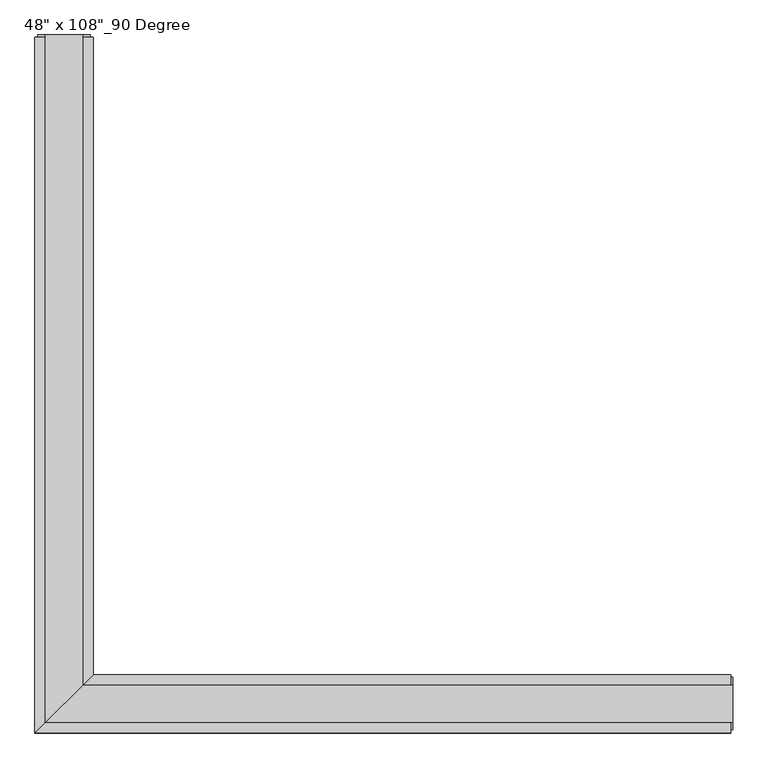
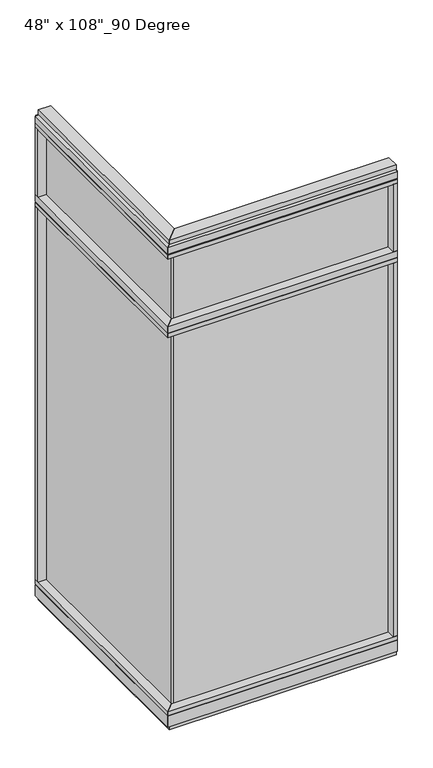
"""IFC4 building model written with IfcOpenShell, lengths in millimetres: furniture geometry."""

from ifc_helpers import new_model, si_unit, frame, origin, origin_with_axes, place, context, project, spatial, polyline, outline, extrude, faceted_brep, source, transform, mapped, element, save


def furniture_ec39b587(model_context):
    return source(origin(), model_context, "Body", "SolidModel", [
        extrude(outline(polyline([(-623.9165229, 1137.7202784), (-613.7565229, 1137.7202784), (-613.7565229, -9.5977216), (-623.9165229, -9.5977216), (-623.9165229, 1137.7202784)])), frame((0.0, 0.0, 2276.475), z_axis=(0.0, 0.0, 1.0), x_axis=(1.0, 0.0, 0.0)), (0.0, 0.0, 1.0), 355.6),
        extrude(outline(polyline([(-623.9165229, 1137.7202784), (-613.7565229, 1137.7202784), (-613.7565229, -9.5977216), (-623.9165229, -9.5977216), (-623.9165229, 1137.7202784)])), frame((0.0, 0.0, 120.523), z_axis=(0.0, 0.0, 1.0), x_axis=(1.0, 0.0, 0.0)), (0.0, 0.0, 1.0), 2114.677),
        extrude(outline(polyline([(-568.0365229, 1159.9452784), (-568.0365229, 46.2822784), (-669.6365229, -55.3177216), (-669.6365229, 1159.9452784), (-568.0365229, 1159.9452784)])), frame((0.0, 0.0, 2212.975), z_axis=(0.0, 0.0, 1.0), x_axis=(1.0, 0.0, 0.0)), (0.0, 0.0, 1.0), 22.225),
        faceted_brep([(-568.0365229, 46.2822784, 2240.153), (-568.0365229, 46.2822784, 2276.475), (-669.6365229, -55.3177216, 2276.475), (-669.6365229, -55.3177216, 2240.153), (-664.6835229, -50.3647216, 2240.153), (-664.6835229, -50.3647216, 2235.2), (-572.9895229, 41.3292784, 2235.2), (-572.9895229, 41.3292784, 2240.153), (-568.0365229, 1159.9452784, 2240.153), (-572.9895229, 1159.9452784, 2240.153), (-572.9895229, 1159.9452784, 2235.2), (-664.6835229, 1159.9452784, 2235.2), (-664.6835229, 1159.9452784, 2240.153), (-669.6365229, 1159.9452784, 2240.153), (-669.6365229, 1159.9452784, 2276.475), (-568.0365229, 1159.9452784, 2276.475)], [[[0, 1, 2, 3, 4, 5, 6, 7]], [[8, 9, 10, 11, 12, 13, 14, 15]], [[8, 0, 7, 9]], [[13, 3, 2, 14]], [[14, 2, 1, 15]], [[15, 1, 0, 8]], [[9, 7, 6, 10]], [[10, 6, 5, 11]], [[11, 5, 4, 12]], [[12, 4, 3, 13]]]),
        extrude(outline(polyline([(-669.6365229, 1137.7202784), (-669.6365229, 1159.9452784), (-568.0365229, 1159.9452784), (-568.0365229, 1137.7202784), (-669.6365229, 1137.7202784)])), frame((0.0, 0.0, 2276.475), z_axis=(0.0, 0.0, 1.0), x_axis=(1.0, 0.0, 0.0)), (0.0, 0.0, 1.0), 377.825),
        extrude(outline(polyline([(-568.0365229, 1159.9452784), (-568.0365229, 46.2822784), (-669.6365229, -55.3177216), (-669.6365229, 1159.9452784), (-568.0365229, 1159.9452784)])), frame((0.0, 0.0, 2654.3), z_axis=(0.0, 0.0, 1.0), x_axis=(1.0, 0.0, 0.0)), (0.0, 0.0, 1.0), 22.225),
        faceted_brep([(-568.0365229, 46.2822784, 2681.478), (-568.0365229, 46.2822784, 2717.8), (-669.6365229, -55.3177216, 2717.8), (-669.6365229, -55.3177216, 2681.478), (-664.6835229, -50.3647216, 2681.478), (-664.6835229, -50.3647216, 2676.525), (-572.9895229, 41.3292784, 2676.525), (-572.9895229, 41.3292784, 2681.478), (-568.0365229, 1159.9452784, 2681.478), (-572.9895229, 1159.9452784, 2681.478), (-572.9895229, 1159.9452784, 2676.525), (-664.6835229, 1159.9452784, 2676.525), (-664.6835229, 1159.9452784, 2681.478), (-669.6365229, 1159.9452784, 2681.478), (-669.6365229, 1159.9452784, 2717.8), (-568.0365229, 1159.9452784, 2717.8)], [[[0, 1, 2, 3, 4, 5, 6, 7]], [[8, 9, 10, 11, 12, 13, 14, 15]], [[8, 0, 7, 9]], [[13, 3, 2, 14]], [[14, 2, 1, 15]], [[15, 1, 0, 8]], [[9, 7, 6, 10]], [[10, 6, 5, 11]], [[11, 5, 4, 12]], [[12, 4, 3, 13]]]),
        extrude(outline(polyline([(-586.3245229, 1163.8822784), (-586.3245229, 27.9942784), (-651.3485229, -37.0297216), (-651.3485229, 1163.8822784), (-586.3245229, 1163.8822784)])), frame((0.0, 0.0, 2717.8), z_axis=(0.0, 0.0, 1.0), x_axis=(1.0, 0.0, 0.0)), (0.0, 0.0, 1.0), 25.4),
        faceted_brep([(-572.9895229, 41.3292784, 93.345), (-572.9895229, 41.3292784, 98.298), (-664.6835229, -50.3647216, 98.298), (-664.6835229, -50.3647216, 93.345), (-669.6365229, -55.3177216, 93.345), (-669.6365229, -55.3177216, 31.75), (-568.0365229, 46.2822784, 31.75), (-568.0365229, 46.2822784, 93.345), (-568.0365229, 1159.9452784, 93.345), (-568.0365229, 1159.9452784, 31.75), (-669.6365229, 1159.9452784, 31.75), (-669.6365229, 1159.9452784, 93.345), (-664.6835229, 1159.9452784, 93.345), (-664.6835229, 1159.9452784, 98.298), (-572.9895229, 1159.9452784, 98.298), (-572.9895229, 1159.9452784, 93.345)], [[[0, 1, 2, 3, 4, 5, 6, 7]], [[8, 9, 10, 11, 12, 13, 14, 15]], [[15, 0, 7, 8]], [[10, 5, 4, 11]], [[9, 6, 5, 10]], [[8, 7, 6, 9]], [[14, 1, 0, 15]], [[13, 2, 1, 14]], [[12, 3, 2, 13]], [[11, 4, 3, 12]]]),
        extrude(outline(polyline([(-568.0365229, 1159.9452784), (-568.0365229, 46.2822784), (-669.6365229, -55.3177216), (-669.6365229, 1159.9452784), (-568.0365229, 1159.9452784)])), frame((0.0, 0.0, 98.298), z_axis=(0.0, 0.0, 1.0), x_axis=(1.0, 0.0, 0.0)), (0.0, 0.0, 1.0), 22.225),
        extrude(outline(polyline([(-586.3245229, 1163.8822784), (-586.3245229, 27.9942784), (-651.3485229, -37.0297216), (-651.3485229, 1163.8822784), (-586.3245229, 1163.8822784)])), origin_with_axes(), (0.0, 0.0, 1.0), 31.75),
        extrude(outline(polyline([(-669.6365229, 1137.7202784), (-669.6365229, 1159.9452784), (-568.0365229, 1159.9452784), (-568.0365229, 1137.7202784), (-669.6365229, 1137.7202784)])), frame((0.0, 0.0, 120.523), z_axis=(0.0, 0.0, 1.0), x_axis=(1.0, 0.0, 0.0)), (0.0, 0.0, 1.0), 2092.452),
        extrude(outline(polyline([(-664.6835229, 1163.8822784), (-572.9895229, 1163.8822784), (-572.9895229, 1159.9452784), (-664.6835229, 1159.9452784), (-664.6835229, 1163.8822784)])), frame((0.0, 0.0, 31.75), z_axis=(0.0, 0.0, 1.0), x_axis=(1.0, 0.0, 0.0)), (0.0, 0.0, 1.0), 2686.05),
        extrude(outline(polyline([(523.4014771, -9.5977216), (-623.9165229, -9.5977216), (-623.9165229, 0.5622784), (523.4014771, 0.5622784), (523.4014771, -9.5977216)])), frame((0.0, 0.0, 2276.475), z_axis=(0.0, 0.0, 1.0), x_axis=(1.0, 0.0, 0.0)), (0.0, 0.0, 1.0), 355.6),
        extrude(outline(polyline([(523.4014771, -9.5977216), (-623.9165229, -9.5977216), (-623.9165229, 0.5622784), (523.4014771, 0.5622784), (523.4014771, -9.5977216)])), frame((0.0, 0.0, 120.523), z_axis=(0.0, 0.0, 1.0), x_axis=(1.0, 0.0, 0.0)), (0.0, 0.0, 1.0), 2114.677),
        extrude(outline(polyline([(545.6264771, 46.2822784), (545.6264771, -55.3177216), (-669.6365229, -55.3177216), (-568.0365229, 46.2822784), (545.6264771, 46.2822784)])), frame((0.0, 0.0, 2212.975), z_axis=(0.0, 0.0, 1.0), x_axis=(1.0, 0.0, 0.0)), (0.0, 0.0, 1.0), 22.225),
        faceted_brep([(-568.0365229, 46.2822784, 2240.153), (-572.9895229, 41.3292784, 2240.153), (-572.9895229, 41.3292784, 2235.2), (-664.6835229, -50.3647216, 2235.2), (-664.6835229, -50.3647216, 2240.153), (-669.6365229, -55.3177216, 2240.153), (-669.6365229, -55.3177216, 2276.475), (-568.0365229, 46.2822784, 2276.475), (545.6264771, 46.2822784, 2240.153), (545.6264771, 46.2822784, 2276.475), (545.6264771, -55.3177216, 2276.475), (545.6264771, -55.3177216, 2240.153), (545.6264771, -50.3647216, 2240.153), (545.6264771, -50.3647216, 2235.2), (545.6264771, 41.3292784, 2235.2), (545.6264771, 41.3292784, 2240.153)], [[[0, 1, 2, 3, 4, 5, 6, 7]], [[8, 9, 10, 11, 12, 13, 14, 15]], [[8, 15, 1, 0]], [[11, 10, 6, 5]], [[10, 9, 7, 6]], [[9, 8, 0, 7]], [[15, 14, 2, 1]], [[14, 13, 3, 2]], [[13, 12, 4, 3]], [[12, 11, 5, 4]]]),
        extrude(outline(polyline([(523.4014771, -55.3177216), (523.4014771, 46.2822784), (545.6264771, 46.2822784), (545.6264771, -55.3177216), (523.4014771, -55.3177216)])), frame((0.0, 0.0, 2276.475), z_axis=(0.0, 0.0, 1.0), x_axis=(1.0, 0.0, 0.0)), (0.0, 0.0, 1.0), 377.825),
        extrude(outline(polyline([(545.6264771, 46.2822784), (545.6264771, -55.3177216), (-669.6365229, -55.3177216), (-568.0365229, 46.2822784), (545.6264771, 46.2822784)])), frame((0.0, 0.0, 2654.3), z_axis=(0.0, 0.0, 1.0), x_axis=(1.0, 0.0, 0.0)), (0.0, 0.0, 1.0), 22.225),
        faceted_brep([(-568.0365229, 46.2822784, 2681.478), (-572.9895229, 41.3292784, 2681.478), (-572.9895229, 41.3292784, 2676.525), (-664.6835229, -50.3647216, 2676.525), (-664.6835229, -50.3647216, 2681.478), (-669.6365229, -55.3177216, 2681.478), (-669.6365229, -55.3177216, 2717.8), (-568.0365229, 46.2822784, 2717.8), (545.6264771, 46.2822784, 2681.478), (545.6264771, 46.2822784, 2717.8), (545.6264771, -55.3177216, 2717.8), (545.6264771, -55.3177216, 2681.478), (545.6264771, -50.3647216, 2681.478), (545.6264771, -50.3647216, 2676.525), (545.6264771, 41.3292784, 2676.525), (545.6264771, 41.3292784, 2681.478)], [[[0, 1, 2, 3, 4, 5, 6, 7]], [[8, 9, 10, 11, 12, 13, 14, 15]], [[8, 15, 1, 0]], [[11, 10, 6, 5]], [[10, 9, 7, 6]], [[9, 8, 0, 7]], [[15, 14, 2, 1]], [[14, 13, 3, 2]], [[13, 12, 4, 3]], [[12, 11, 5, 4]]]),
        extrude(outline(polyline([(549.5634771, 27.9942784), (549.5634771, -37.0297216), (-651.3485229, -37.0297216), (-586.3245229, 27.9942784), (549.5634771, 27.9942784)])), frame((0.0, 0.0, 2717.8), z_axis=(0.0, 0.0, 1.0), x_axis=(1.0, 0.0, 0.0)), (0.0, 0.0, 1.0), 25.4),
        faceted_brep([(-572.9895229, 41.3292784, 93.345), (-568.0365229, 46.2822784, 93.345), (-568.0365229, 46.2822784, 31.75), (-669.6365229, -55.3177216, 31.75), (-669.6365229, -55.3177216, 93.345), (-664.6835229, -50.3647216, 93.345), (-664.6835229, -50.3647216, 98.298), (-572.9895229, 41.3292784, 98.298), (545.6264771, 46.2822784, 93.345), (545.6264771, 41.3292784, 93.345), (545.6264771, 41.3292784, 98.298), (545.6264771, -50.3647216, 98.298), (545.6264771, -50.3647216, 93.345), (545.6264771, -55.3177216, 93.345), (545.6264771, -55.3177216, 31.75), (545.6264771, 46.2822784, 31.75)], [[[0, 1, 2, 3, 4, 5, 6, 7]], [[8, 9, 10, 11, 12, 13, 14, 15]], [[9, 8, 1, 0]], [[14, 13, 4, 3]], [[15, 14, 3, 2]], [[8, 15, 2, 1]], [[10, 9, 0, 7]], [[11, 10, 7, 6]], [[12, 11, 6, 5]], [[13, 12, 5, 4]]]),
        extrude(outline(polyline([(545.6264771, 46.2822784), (545.6264771, -55.3177216), (-669.6365229, -55.3177216), (-568.0365229, 46.2822784), (545.6264771, 46.2822784)])), frame((0.0, 0.0, 98.298), z_axis=(0.0, 0.0, 1.0), x_axis=(1.0, 0.0, 0.0)), (0.0, 0.0, 1.0), 22.225),
        extrude(outline(polyline([(549.5634771, 27.9942784), (549.5634771, -37.0297216), (-651.3485229, -37.0297216), (-586.3245229, 27.9942784), (549.5634771, 27.9942784)])), origin_with_axes(), (0.0, 0.0, 1.0), 31.75),
        extrude(outline(polyline([(523.4014771, -55.3177216), (523.4014771, 46.2822784), (545.6264771, 46.2822784), (545.6264771, -55.3177216), (523.4014771, -55.3177216)])), frame((0.0, 0.0, 120.523), z_axis=(0.0, 0.0, 1.0), x_axis=(1.0, 0.0, 0.0)), (0.0, 0.0, 1.0), 2092.452),
        extrude(outline(polyline([(549.5634771, -50.3647216), (545.6264771, -50.3647216), (545.6264771, 41.3292784), (549.5634771, 41.3292784), (549.5634771, -50.3647216)])), frame((0.0, 0.0, 31.75), z_axis=(0.0, 0.0, 1.0), x_axis=(1.0, 0.0, 0.0)), (0.0, 0.0, 1.0), 2686.05),
    ])


if __name__ == "__main__":
    model = new_model("IFC4")
    model_context = context("Model", 3, world=origin())
    ifc_project = project(units=[si_unit("LENGTHUNIT", "METRE", prefix="MILLI")], contexts=[model_context])
    site = spatial("IfcSite", under=ifc_project)
    building = spatial("IfcBuilding", under=site)
    placement = place(None, origin())
    furniture_shape = furniture_ec39b587(model_context)
    element("IfcFurniture", 1, ObjectType="48\" x 108\"_90 Degree", at=placement, inside=building, context=model_context, shape_type="MappedRepresentation", body=[
        mapped(furniture_shape, transform((0.0, 0.0, 0.0), x_axis=(1.0, 0.0, 0.0), y_axis=(0.0, 1.0, 0.0), z_axis=(0.0, 0.0, 1.0))),
    ])
    save(model, "model.ifc")
